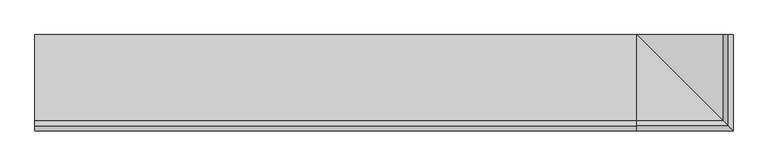
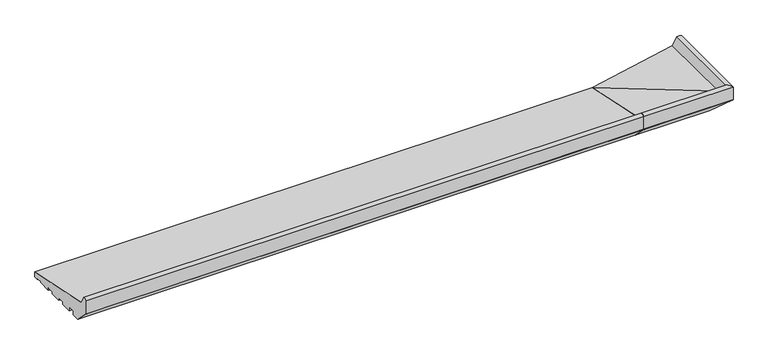
"""IFC4 building model written with IfcOpenShell, lengths in millimetres: proxy geometry."""

from ifc_helpers import new_model, si_unit, point, frame, frame_2d, origin, place, context, project, spatial, polyline, circle_curve, ellipse_curve, trimmed, segment, composite_curve, outline, extrude, source, transform, mapped, element, save
from ifc_brep_helpers import plane_surface, cylinder_surface, advanced_brep


def generic_models_52793280(model_context):
    return source(origin(), model_context, "Body", "SolidModel", [
        advanced_brep(
        [(1000.0, 16.9634146, 2.0714803), (1000.0, 16.9634146, 0.0), (1000.0, -7.0449052, 0.0), (1000.0, -7.0449052, 4.0148089), (1000.0, -18.9957985, 4.0148089), (1000.0, -18.9957985, 0.0), (1000.0, -38.9970202, 0.0), (1000.0, -38.9970202, 5.0), (1000.0, -51.9659993, 5.0), (1000.0, -51.9659993, 0.0), (1000.0, -71.9994005, 0.0), (1000.0, -71.9994005, 7.9636602), (1000.0, -84.3282852, 7.9636602), (1000.0, -84.3282852, 0.0), (1000.0, -98.3331279, 0.0), (1000.0, -124.2741015, 25.9409736), (1000.0, -125.0, 27.0076366), (1000.0, -125.0, 51.2355304), (1000.0, -116.6949035, 52.9234409), (1000.0, -108.4970481, 38.6463845), (1000.0, 35.0, 9.1871592), (1000.0, 35.0, 0.0), (1000.0, 27.0536769, 0.0), (1000.0, 27.0536769, 0.9956448), (1018.0365854, 35.0, 2.0714803), (1007.9463231, 35.0, 0.9956448), (1007.9463231, 35.0, 0.0), (1143.4970481, 35.0, 38.6463845), (1151.6949035, 35.0, 52.9234409), (1160.0, 35.0, 51.2355304), (1160.0, 35.0, 27.0076366), (1159.2741015, 35.0, 25.9409736), (1133.3331279, 35.0, 0.0), (1119.3282852, 35.0, 0.0), (1119.3282852, 35.0, 7.9636602), (1106.9994005, 35.0, 7.9636602), (1106.9994005, 35.0, 0.0), (1086.9659993, 35.0, 0.0), (1086.9659993, 35.0, 5.0), (1073.9970202, 35.0, 5.0), (1073.9970202, 35.0, 0.0), (1053.9957985, 35.0, 0.0), (1053.9957985, 35.0, 4.0148089), (1042.0449052, 35.0, 4.0148089), (1042.0449052, 35.0, 0.0), (1018.0365854, 35.0, 0.0), (1018.0365854, 16.9634146, 2.0714803), (1018.0365854, 16.9634146, 0.0), (1042.0449052, -7.0449052, 0.0), (1042.0449052, -7.0449052, 4.0148089), (1053.9957985, -18.9957985, 4.0148089), (1053.9957985, -18.9957985, 0.0), (1073.9970202, -38.9970202, 0.0), (1073.9970202, -38.9970202, 5.0), (1086.9659993, -51.9659993, 5.0), (1086.9659993, -51.9659993, 0.0), (1106.9994005, -71.9994005, 0.0), (1106.9994005, -71.9994005, 7.9636602), (1119.3282852, -84.3282852, 7.9636602), (1119.3282852, -84.3282852, 0.0), (1133.3331279, -98.3331279, 0.0), (1159.2741015, -124.2741015, 25.9409736), (1160.0, -125.0, 27.0076366), (1160.0, -125.0, 51.2355304), (1151.6949035, -116.6949035, 52.9234409), (1143.4970481, -108.4970481, 38.6463845), (1007.9463231, 27.0536769, 0.0), (1007.9463231, 27.0536769, 0.9956448)],
        [
            (0, 1),
            (1, 2),
            (2, 3),
            (3, 4),
            (4, 5),
            (5, 6),
            (6, 7),
            (7, 8),
            (8, 9),
            (9, 10),
            (10, 11),
            (11, 12),
            (12, 13),
            (13, 14),
            (14, 15),
            (15, 16, circle_curve(frame((1000.0, -121.8315077, 28.3835674), z_axis=(-1.0, 0.0, 0.0), x_axis=(0.0, 1.0000000000000002, 0.0)), 3.4543493)),
            (16, 17),
            (17, 18, circle_curve(frame((1000.0, -118.9446027, 42.7168184), z_axis=(-1.0, 0.0, 0.0), x_axis=(0.0, 1.0000000000000002, 0.0)), 10.4516166)),
            (18, 19),
            (19, 20),
            (20, 21),
            (21, 22),
            (22, 23),
            (23, 0),
            (24, 25),
            (25, 26),
            (26, 21),
            (20, 27),
            (27, 28),
            (28, 29, circle_curve(frame((1153.9446027, 35.0, 42.7168184), z_axis=(0.0, 1.0, 0.0), x_axis=(-1.0000000000000002, 0.0, 0.0)), 10.4516166)),
            (29, 30),
            (30, 31, circle_curve(frame((1156.8315077, 35.0, 28.3835674), z_axis=(0.0, 1.0, 0.0), x_axis=(-1.0000000000000002, 0.0, 0.0)), 3.4543493)),
            (31, 32),
            (32, 33),
            (33, 34),
            (34, 35),
            (35, 36),
            (36, 37),
            (37, 38),
            (38, 39),
            (39, 40),
            (40, 41),
            (41, 42),
            (42, 43),
            (43, 44),
            (44, 45),
            (45, 24),
            (0, 46),
            (46, 47),
            (47, 1),
            (47, 45),
            (44, 48),
            (48, 2),
            (48, 49),
            (49, 3),
            (49, 43),
            (42, 50),
            (50, 4),
            (50, 51),
            (51, 5),
            (51, 41),
            (40, 52),
            (52, 6),
            (52, 53),
            (53, 7),
            (53, 39),
            (38, 54),
            (54, 8),
            (54, 55),
            (55, 9),
            (55, 37),
            (36, 56),
            (56, 10),
            (56, 57),
            (57, 11),
            (57, 35),
            (34, 58),
            (58, 12),
            (58, 59),
            (59, 13),
            (59, 33),
            (32, 60),
            (60, 14),
            (60, 61),
            (61, 15),
            (61, 62, ellipse_curve(frame((1156.8315077, -121.8315077, 28.3835674), z_axis=(-0.7071067811865481, -0.7071067811865469, 0.0), x_axis=(-0.7071067811865469, 0.7071067811865481, 0.0)), 4.8851877, 3.4543493)),
            (62, 16),
            (62, 63),
            (63, 17),
            (63, 64, ellipse_curve(frame((1153.9446027, -118.9446027, 42.7168184), z_axis=(-0.7071067811865481, -0.7071067811865469, 0.0), x_axis=(-0.7071067811865469, 0.7071067811865481, 0.0)), 14.780818, 10.4516166)),
            (64, 18),
            (64, 65),
            (65, 19),
            (65, 20),
            (26, 66),
            (66, 22),
            (66, 67),
            (67, 23),
            (67, 46),
            (46, 24),
            (31, 61),
            (30, 62),
            (29, 63),
            (28, 64),
            (27, 65),
            (25, 67),
        ],
        [
            plane_surface(frame((1000.0, -46.0, 0.0), z_axis=(-1.0, 0.0, 0.0), x_axis=(0.0, 0.0, 1.0))),
            plane_surface(frame((1081.0, 35.0, 0.0), z_axis=(0.0, 1.0, 0.0), x_axis=(0.0, 0.0, 1.0))),
            plane_surface(frame((1000.0, 16.9634146, 2.0714803), z_axis=(0.0, 1.0, 0.0), x_axis=(1.0, 0.0, 0.0))),
            plane_surface(frame((1000.0, 16.9634146, 0.0), z_axis=(0.0, 0.0, -1.0), x_axis=(1.0, 0.0, 0.0))),
            plane_surface(frame((1000.0, -7.0449052, 0.0), z_axis=(0.0, -1.0, 0.0), x_axis=(1.0, 0.0, 0.0))),
            plane_surface(frame((1000.0, -7.0449052, 4.0148089), z_axis=(0.0, 0.0, -1.0), x_axis=(1.0, 0.0, 0.0))),
            plane_surface(frame((1000.0, -18.9957985, 4.0148089), z_axis=(0.0, 1.0, 0.0), x_axis=(1.0, 0.0, 0.0))),
            plane_surface(frame((1000.0, -18.9957985, 0.0), z_axis=(0.0, 0.0, -1.0), x_axis=(1.0, 0.0, 0.0))),
            plane_surface(frame((1000.0, -38.9970202, 0.0), z_axis=(0.0, -1.0, 0.0), x_axis=(1.0, 0.0, 0.0))),
            plane_surface(frame((1000.0, -38.9970202, 5.0), z_axis=(0.0, 0.0, -1.0), x_axis=(1.0, 0.0, 0.0))),
            plane_surface(frame((1000.0, -51.9659993, 5.0), z_axis=(0.0, 1.0, 0.0), x_axis=(1.0, 0.0, 0.0))),
            plane_surface(frame((1000.0, -51.9659993, 0.0), z_axis=(0.0, 0.0, -1.0), x_axis=(1.0, 0.0, 0.0))),
            plane_surface(frame((1000.0, -71.9994005, 0.0), z_axis=(0.0, -1.0, 0.0), x_axis=(1.0, 0.0, 0.0))),
            plane_surface(frame((1000.0, -71.9994005, 7.9636602), z_axis=(0.0, 0.0, -1.0), x_axis=(1.0, 0.0, 0.0))),
            plane_surface(frame((1000.0, -84.3282852, 7.9636602), z_axis=(0.0, 1.0, 0.0), x_axis=(1.0, 0.0, 0.0))),
            plane_surface(frame((1000.0, -84.3282852, 0.0), z_axis=(0.0, 0.0, -1.0), x_axis=(1.0, 0.0, 0.0))),
            plane_surface(frame((1000.0, -98.3331279, 0.0), z_axis=(0.0, -0.707106781186547, -0.707106781186548), x_axis=(1.0, 0.0, 0.0))),
            cylinder_surface(frame((1000.0, -121.8315077, 28.3835674), z_axis=(-1.0000000000000002, 0.0, 0.0), x_axis=(0.0, 1.0000000000000002, 0.0)), 3.4543493),
            plane_surface(frame((1000.0, -125.0, 27.0076366), z_axis=(0.0, -1.0, 0.0), x_axis=(1.0, 0.0, 0.0))),
            cylinder_surface(frame((1000.0, -118.9446027, 42.7168184), z_axis=(-1.0000000000000002, 0.0, 0.0), x_axis=(0.0, 1.0000000000000002, 0.0)), 10.4516166),
            plane_surface(frame((1000.0, -116.6949035, 52.9234409), z_axis=(0.0, 0.867206740138978, 0.49794826022140826), x_axis=(1.0, 0.0, 0.0))),
            plane_surface(frame((1000.0, -108.4970481, 38.6463845), z_axis=(0.0, 0.20110092371128918, 0.9795705275693355), x_axis=(1.0, 0.0, 0.0))),
            plane_surface(frame((1000.0, 35.0, 0.0), z_axis=(0.0, 0.0, -1.0), x_axis=(1.0, 0.0, 0.0))),
            plane_surface(frame((1000.0, 27.0536769, 0.0), z_axis=(0.0, -1.0, 0.0), x_axis=(1.0, 0.0, 0.0))),
            plane_surface(frame((1000.0, 27.0536769, 0.9956448), z_axis=(0.0, -0.1060202410059177, -0.9943639718418237), x_axis=(1.0, 0.0, 0.0))),
            plane_surface(frame((1018.0365854, 16.9634146, 2.0714803), z_axis=(-1.0, 0.0, 0.0), x_axis=(0.0, 1.0, 0.0))),
            plane_surface(frame((1042.0449052, -7.0449052, 0.0), z_axis=(1.0, 0.0, 0.0), x_axis=(0.0, 1.0, 0.0))),
            plane_surface(frame((1053.9957985, -18.9957985, 4.0148089), z_axis=(-1.0, 0.0, 0.0), x_axis=(0.0, 1.0, 0.0))),
            plane_surface(frame((1073.9970202, -38.9970202, 0.0), z_axis=(1.0, 0.0, 0.0), x_axis=(0.0, 1.0, 0.0))),
            plane_surface(frame((1086.9659993, -51.9659993, 5.0), z_axis=(-1.0, 0.0, 0.0), x_axis=(0.0, 1.0, 0.0))),
            plane_surface(frame((1106.9994005, -71.9994005, 0.0), z_axis=(1.0, 0.0, 0.0), x_axis=(0.0, 1.0, 0.0))),
            plane_surface(frame((1119.3282852, -84.3282852, 7.9636602), z_axis=(-1.0, 0.0, 0.0), x_axis=(0.0, 1.0, 0.0))),
            plane_surface(frame((1133.3331279, -98.3331279, 0.0), z_axis=(0.7071067811865471, 0.0, -0.707106781186548), x_axis=(0.0, 1.0, 0.0))),
            cylinder_surface(frame((1156.8315077, -46.0, 28.3835674), z_axis=(0.0, -1.0000000000000002, 0.0), x_axis=(-1.0000000000000002, 0.0, 0.0)), 3.4543493),
            plane_surface(frame((1160.0, -125.0, 27.0076366), z_axis=(1.0, 0.0, 0.0), x_axis=(0.0, 1.0, 0.0))),
            cylinder_surface(frame((1153.9446027, -46.0, 42.7168184), z_axis=(0.0, -1.0000000000000002, 0.0), x_axis=(-1.0000000000000002, 0.0, 0.0)), 10.4516166),
            plane_surface(frame((1151.6949035, -116.6949035, 52.9234409), z_axis=(-0.867206740138978, 0.0, 0.49794826022140815), x_axis=(0.0, 1.0, 0.0))),
            plane_surface(frame((1143.4970481, -108.4970481, 38.6463845), z_axis=(-0.20110092371128924, 0.0, 0.9795705275693355), x_axis=(0.0, 1.0, 0.0))),
            plane_surface(frame((1007.9463231, 27.0536769, 0.0), z_axis=(1.0, 0.0, 0.0), x_axis=(0.0, 1.0, 0.0))),
            plane_surface(frame((1007.9463231, 27.0536769, 0.9956448), z_axis=(0.10602024100591773, 0.0, -0.9943639718418237), x_axis=(0.0, 1.0, 0.0))),
        ],
        [
            (0, [[1, 2, 3, 4, 5, 6, 7, 8, 9, 10, 11, 12, 13, 14, 15, 16, 17, 18, 19, 20, 21, 22, 23, 24]]),
            (1, [[25, 26, 27, -21, 28, 29, 30, 31, 32, 33, 34, 35, 36, 37, 38, 39, 40, 41, 42, 43, 44, 45, 46, 47]]),
            (2, [[-1, 48, 49, 50]]),
            (3, [[-2, -50, 51, -46, 52, 53]]),
            (4, [[-3, -53, 54, 55]]),
            (5, [[-4, -55, 56, -44, 57, 58]]),
            (6, [[-5, -58, 59, 60]]),
            (7, [[-6, -60, 61, -42, 62, 63]]),
            (8, [[-7, -63, 64, 65]]),
            (9, [[-8, -65, 66, -40, 67, 68]]),
            (10, [[-9, -68, 69, 70]]),
            (11, [[-10, -70, 71, -38, 72, 73]]),
            (12, [[-11, -73, 74, 75]]),
            (13, [[-12, -75, 76, -36, 77, 78]]),
            (14, [[-13, -78, 79, 80]]),
            (15, [[-14, -80, 81, -34, 82, 83]]),
            (16, [[-15, -83, 84, 85]]),
            (17, [[-16, -85, 86, 87]]),
            (18, [[-17, -87, 88, 89]]),
            (19, [[-18, -89, 90, 91]]),
            (20, [[-19, -91, 92, 93]]),
            (21, [[-20, -93, 94]]),
            (22, [[-22, -27, 95, 96]]),
            (23, [[-23, -96, 97, 98]]),
            (24, [[-24, -98, 99, -48]]),
            (25, [[-49, 100, -47, -51]]),
            (26, [[-54, -52, -45, -56]]),
            (27, [[-59, -57, -43, -61]]),
            (28, [[-64, -62, -41, -66]]),
            (29, [[-69, -67, -39, -71]]),
            (30, [[-74, -72, -37, -76]]),
            (31, [[-79, -77, -35, -81]]),
            (32, [[-84, -82, -33, 101]]),
            (33, [[-86, -101, -32, 102]]),
            (34, [[-88, -102, -31, 103]]),
            (35, [[-90, -103, -30, 104]]),
            (36, [[-92, -104, -29, 105]]),
            (37, [[-94, -105, -28]]),
            (38, [[-97, -95, -26, 106]]),
            (39, [[-99, -106, -25, -100]]),
        ],
    ),
        extrude(outline(composite_curve([segment(polyline([(16.9634146, 2.0714803), (16.9634146, 0.0), (-7.0449052, 0.0), (-7.0449052, 4.0148089), (-18.9957985, 4.0148089), (-18.9957985, 0.0), (-38.9970202, 0.0), (-38.9970202, 5.0), (-51.9659993, 5.0), (-51.9659993, 0.0), (-71.9994005, 0.0), (-71.9994005, 7.9636602), (-84.3282852, 7.9636602), (-84.3282852, 0.0), (-98.3331279, 0.0), (-124.2741015, 25.9409736)]), True, "CONTINUOUS"), segment(trimmed(circle_curve(frame_2d((-121.8315077, 28.3835674)), 3.4543493), [point((-124.2741015, 25.9409736))], [point((-125.0, 27.0076366))], False, "CARTESIAN"), True, "CONTINUOUS"), segment(polyline([(-125.0, 27.0076366), (-125.0, 51.2355304)]), True, "CONTINUOUS"), segment(trimmed(circle_curve(frame_2d((-118.9446027, 42.7168184)), 10.4516166), [point((-125.0, 51.2355304))], [point((-116.6949035, 52.9234409))], False, "CARTESIAN"), True, "CONTINUOUS"), segment(polyline([(-116.6949035, 52.9234409), (-108.4970481, 38.6463845), (35.0, 9.1871592), (35.0, 0.0), (27.0536769, 0.0), (27.0536769, 0.9956448), (16.9634146, 2.0714803)]), True, "CONTINUOUS")], self_intersect=False)), frame((0.0, 0.0, 0.0), z_axis=(1.0, 0.0, 0.0), x_axis=(0.0, 1.0, 0.0)), (0.0, 0.0, 1.0), 1000.0),
    ])


if __name__ == "__main__":
    model = new_model("IFC4")
    model_context = context("Model", 3, world=origin())
    ifc_project = project(units=[si_unit("LENGTHUNIT", "METRE", prefix="MILLI")], contexts=[model_context])
    site = spatial("IfcSite", under=ifc_project)
    building = spatial("IfcBuilding", under=site)
    placement = place(None, origin())
    generic_models_shape = generic_models_52793280(model_context)
    element("IfcBuildingElementProxy", 1, Name="Generic Models", at=placement, inside=building, context=model_context, shape_type="MappedRepresentation", body=[
        mapped(generic_models_shape, transform((0.0, 0.0, 0.0), x_axis=(1.0, 0.0, 0.0), y_axis=(0.0, 1.0, 0.0), z_axis=(0.0, 0.0, 1.0))),
    ])
    save(model, "model.ifc")
